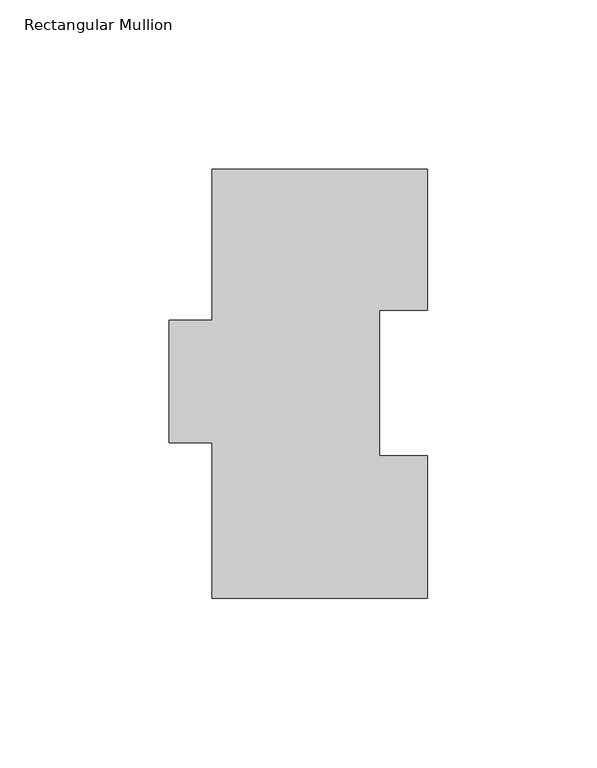
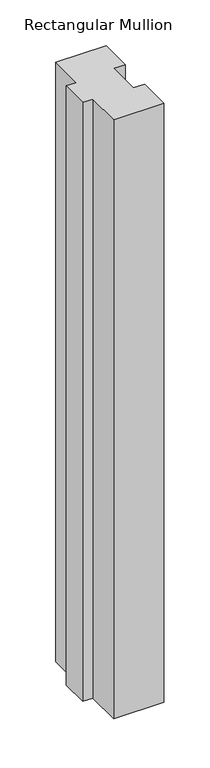
"""IFC4 building model written with IfcOpenShell, lengths in millimetres: member geometry, Rectangular Mullion."""

import ifcopenshell
import ifcopenshell.guid

model = None  # the IFC model being written
_history = None  # IfcOwnerHistory: only IFC2X3 demands one
_inside = {}  # id of a spatial element -> (the spatial element, [elements in it])
_under = {}  # id of a project, library or spatial element -> (it, [spatial elements below it])
_declared = {}  # id of a project -> (the project, [libraries it declares])
_typed = {}  # id of a type object -> (the type object, [elements of that type])
_made_of = {}  # id of a material, layer set ... -> (it, [elements and type objects made of it])


def new_model(schema):
    """Start an empty IFC model of exactly this schema.

    Asked for "IFC4X3", IfcOpenShell would pick the latest addendum, in which some entities
    have other attributes; the version numbers below select the first issue.
    IFC2X3 requires an IfcOwnerHistory on every rooted entity: one is made here for all.
    """
    global model, _history
    if schema == "IFC4X3":
        model = ifcopenshell.file(schema_version=(4, 3, 0, 0))
    else:
        model = ifcopenshell.file(schema=schema)
    _inside.clear()
    _under.clear()
    _declared.clear()
    _typed.clear()
    _made_of.clear()
    _history = None
    if model.schema == "IFC2X3":
        org = make("IfcOrganization", Name="unknown")
        user = make(
            "IfcPersonAndOrganization",
            ThePerson=make("IfcPerson", FamilyName="unknown"),
            TheOrganization=org,
        )
        app = make(
            "IfcApplication",
            ApplicationDeveloper=org,
            Version="unknown",
            ApplicationFullName="unknown",
            ApplicationIdentifier="unknown",
        )
        _history = make(
            "IfcOwnerHistory",
            OwningUser=user,
            OwningApplication=app,
            ChangeAction="ADDED",
            CreationDate=0,
        )
    return model


def make(cls, **values):
    """One entity of the class cls with the attributes given. An attribute that is None is left unset."""
    return model.create_entity(
        cls, **{name: value for name, value in values.items() if value is not None}
    )


def rooted(cls, **values):
    """An entity with a GlobalId (a new one), such as an element, a storey or a relation."""
    return make(cls, GlobalId=ifcopenshell.guid.new(), OwnerHistory=_history, **values)


def si_unit(unit_type, name, prefix=None):
    """IfcSIUnit, for example si_unit("LENGTHUNIT", "METRE", prefix="MILLI")."""
    return make("IfcSIUnit", UnitType=unit_type, Prefix=prefix, Name=name)


def assignment(units):
    """IfcUnitAssignment: the units of a project."""
    return None if units is None else make("IfcUnitAssignment", Units=units)


def point(xyz):
    """IfcCartesianPoint."""
    return None if xyz is None else make("IfcCartesianPoint", Coordinates=xyz)


def direction(xyz):
    """IfcDirection."""
    return None if xyz is None else make("IfcDirection", DirectionRatios=xyz)


def frame(location, z_axis=None, x_axis=None):
    """IfcAxis2Placement3D, a coordinate frame: its origin and axes. An axis left out is left unset."""
    return make(
        "IfcAxis2Placement3D",
        Location=point(location),
        Axis=direction(z_axis),
        RefDirection=direction(x_axis),
    )


def origin():
    """The frame at (0, 0, 0) with its axes left unset."""
    return frame((0.0, 0.0, 0.0))


def place(relative_to, where):
    """IfcLocalPlacement: puts the frame where relative to a parent placement (None: the world)."""
    return make(
        "IfcLocalPlacement", PlacementRelTo=relative_to, RelativePlacement=where
    )


def context(
    kind, dimensions, precision=None, world=None, true_north=None, identifier=None
):
    """IfcGeometricRepresentationContext, for example the 3D "Model" context."""
    return make(
        "IfcGeometricRepresentationContext",
        ContextIdentifier=identifier,
        ContextType=kind,
        CoordinateSpaceDimension=dimensions,
        Precision=precision,
        WorldCoordinateSystem=world,
        TrueNorth=true_north,
    )


def project(units=None, contexts=None):
    """IfcProject with its units and contexts."""
    return rooted(
        "IfcProject",
        Name="project",
        RepresentationContexts=contexts,
        UnitsInContext=assignment(units),
    )


def spatial(cls, under=None, at=None, **own):
    """A site, building, storey or space (cls), placed at a placement, below another one or the project."""
    s = rooted(cls, ObjectPlacement=at, **own)
    if under is not None:
        _under.setdefault(under.id(), (under, []))[1].append(s)
    return s


def polyline(points):
    """IfcPolyline through the points."""
    return make("IfcPolyline", Points=[point(p) for p in points])


def outline(outer, holes=None, kind="AREA"):
    """IfcArbitraryClosedProfileDef: a profile drawn as a closed curve; with holes, ...WithVoids."""
    if holes is None:
        return make("IfcArbitraryClosedProfileDef", ProfileType=kind, OuterCurve=outer)
    return make(
        "IfcArbitraryProfileDefWithVoids",
        ProfileType=kind,
        OuterCurve=outer,
        InnerCurves=holes,
    )


def extrude(swept, where, along, depth):
    """IfcExtrudedAreaSolid: the profile swept, set in the frame where, extruded along a direction by depth."""
    return make(
        "IfcExtrudedAreaSolid",
        SweptArea=swept,
        Position=where,
        ExtrudedDirection=direction(along),
        Depth=depth,
    )


def shape(context_of_items, identifier, shape_type, items):
    """IfcShapeRepresentation: the items that make up one representation, for example the "Body"."""
    return make(
        "IfcShapeRepresentation",
        ContextOfItems=context_of_items,
        RepresentationIdentifier=identifier,
        RepresentationType=shape_type,
        Items=items,
    )


def source(mapping_origin, context_of_items, identifier, shape_type, items):
    """IfcRepresentationMap: a shape defined once, which mapped items show again and again."""
    return make(
        "IfcRepresentationMap",
        MappingOrigin=mapping_origin,
        MappedRepresentation=shape(context_of_items, identifier, shape_type, items),
    )


def transform(
    local_origin,
    x_axis=None,
    y_axis=None,
    z_axis=None,
    scale=None,
    scale2=None,
    scale3=None,
    uniform=True,
):
    """IfcCartesianTransformationOperator3D, or its non-uniform kind. x_axis, y_axis, z_axis: its Axis1, 2, 3."""
    if uniform:
        return make(
            "IfcCartesianTransformationOperator3D",
            Axis1=direction(x_axis),
            Axis2=direction(y_axis),
            LocalOrigin=point(local_origin),
            Scale=scale,
            Axis3=direction(z_axis),
        )
    return make(
        "IfcCartesianTransformationOperator3DnonUniform",
        Axis1=direction(x_axis),
        Axis2=direction(y_axis),
        LocalOrigin=point(local_origin),
        Scale=scale,
        Axis3=direction(z_axis),
        Scale2=scale2,
        Scale3=scale3,
    )


def mapped(mapping_source, mapping_target):
    """IfcMappedItem: shows the shape of a source again, moved by a transform."""
    return make(
        "IfcMappedItem", MappingSource=mapping_source, MappingTarget=mapping_target
    )


def made_of(thing, what):
    """Note that an element or type object is made of a material, layer set ...; save() writes the relation."""
    if what is not None:
        _made_of.setdefault(what.id(), (what, []))[1].append(thing)
    return thing


def element(
    cls,
    number,
    at=None,
    inside=None,
    cuts=None,
    type_object=None,
    material=None,
    context=None,
    identifier="Body",
    shape_type=None,
    held_by="IfcProductDefinitionShape",
    body=None,
    shapes=None,
    **own,
):
    """One element of the class cls, such as IfcWall. Its Tag is "e" and its number.

    at: its placement. inside: the storey or other place that contains it. cuts: it is an
    opening in that element (IfcRelVoidsElement). A single representation is given by context,
    identifier, shape_type and body (its items); several are given by shapes. held_by: the class
    of the entity that holds the representations. save() writes the other relations.
    """
    e = rooted(cls, Tag="e%d" % number, ObjectPlacement=at, **own)
    if body is not None:
        shapes = [shape(context, identifier, shape_type, body)]
    if shapes is not None:
        e.Representation = make(held_by, Representations=shapes)
    if inside is not None:
        _inside.setdefault(inside.id(), (inside, []))[1].append(e)
    if cuts is not None:
        rooted(
            "IfcRelVoidsElement", RelatingBuildingElement=cuts, RelatedOpeningElement=e
        )
    if type_object is not None:
        _typed.setdefault(type_object.id(), (type_object, []))[1].append(e)
    return made_of(e, material)


def aggregate(whole, parts):
    """IfcRelAggregates: a whole, such as a stair, and the parts it consists of."""
    return rooted("IfcRelAggregates", RelatingObject=whole, RelatedObjects=parts)


def save(model, path):
    """Write the relations noted so far, then the file.

    IfcRelAggregates (storeys below a building ...), IfcRelContainedInSpatialStructure (elements
    in a storey), IfcRelDefinesByType, IfcRelAssociatesMaterial and IfcRelDeclares: one each for
    every whole, place, type object, material and project.
    """
    for whole, parts in _under.values():
        aggregate(whole, parts)
    for where, things in _inside.values():
        rooted(
            "IfcRelContainedInSpatialStructure",
            RelatedElements=things,
            RelatingStructure=where,
        )
    for kind, things in _typed.values():
        rooted("IfcRelDefinesByType", RelatedObjects=things, RelatingType=kind)
    for what, things in _made_of.values():
        rooted("IfcRelAssociatesMaterial", RelatedObjects=things, RelatingMaterial=what)
    for by, libraries in _declared.values():
        rooted("IfcRelDeclares", RelatingContext=by, RelatedDefinitions=libraries)
    model.write(path)


def rectangular_mullion_73f7aac3(model_context):
    return source(origin(), model_context, "Body", "SweptSolid", [
        extrude(outline(polyline([(0.0, 126.7348875), (0.0, 85.1296875), (-14.1590561, 85.1296875), (-14.1590561, 42.2798875), (0.0, 42.2798875), (0.0, 0.2428875), (-63.5, 0.2428875), (-63.5, 46.0263875), (-76.2, 46.0263875), (-76.2, 82.2848875), (-63.5, 82.2848875), (-63.5, 126.7348875), (0.0, 126.7348875)])), frame((0.0, 0.0, -800.1), z_axis=(0.0, 0.0, 1.0), x_axis=(1.0, 0.0, 0.0)), (0.0, 0.0, 1.0), 800.1),
    ])


if __name__ == "__main__":
    model = new_model("IFC4")
    model_context = context("Model", 3, world=origin())
    ifc_project = project(units=[si_unit("LENGTHUNIT", "METRE", prefix="MILLI")], contexts=[model_context])
    site = spatial("IfcSite", under=ifc_project)
    building = spatial("IfcBuilding", under=site)
    placement = place(None, origin())
    rectangular_mullion_shape = rectangular_mullion_73f7aac3(model_context)
    element("IfcMember", 1, ObjectType="Rectangular Mullion", at=placement, inside=building, context=model_context, shape_type="MappedRepresentation", body=[
        mapped(rectangular_mullion_shape, transform((0.0, 0.0, 0.0), x_axis=(1.0, 0.0, 0.0), y_axis=(0.0, 1.0, 0.0), z_axis=(0.0, 0.0, 1.0))),
    ])
    save(model, "model.ifc")
